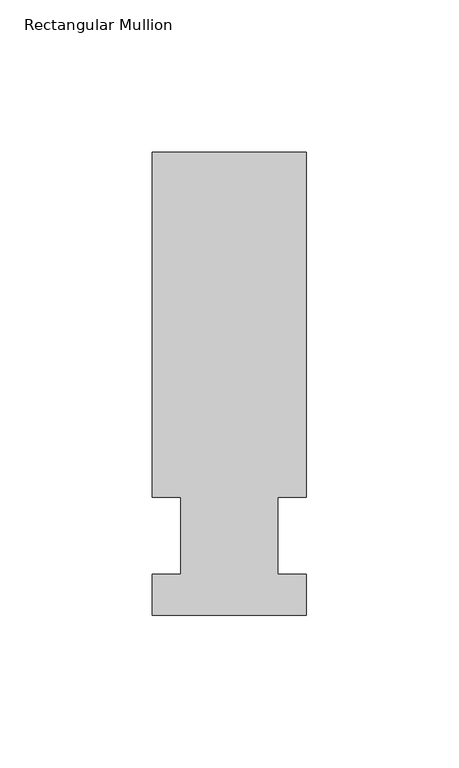
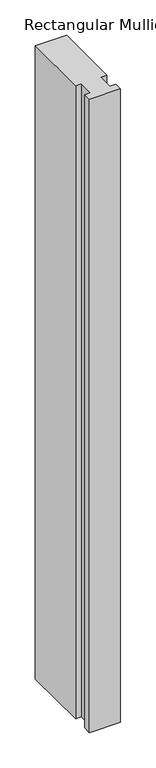
"""IFC4 building model written with IfcOpenShell, lengths in millimetres: member geometry, Rectangular Mullion."""

from ifc_helpers import new_model, si_unit, frame, origin, place, context, project, spatial, polyline, outline, extrude, source, transform, mapped, element, save


def rectangular_mullion_8aa326fe(model_context):
    return source(origin(), model_context, "Body", "SweptSolid", [
        extrude(outline(polyline([(-25.4, -26.19375), (-25.4, -12.7), (-15.875, -12.7), (-15.875, 12.7), (-25.4, 12.7), (-25.4, 126.20625), (25.4, 126.20625), (25.4, 12.7), (15.875, 12.7), (15.875, -12.7), (25.4, -12.7), (25.4, -26.19375), (-25.4, -26.19375)])), frame((0.0, 0.0, -1092.2), z_axis=(0.0, 0.0, 1.0), x_axis=(1.0, 0.0, 0.0)), (0.0, 0.0, 1.0), 1092.2),
    ])


if __name__ == "__main__":
    model = new_model("IFC4")
    model_context = context("Model", 3, world=origin())
    ifc_project = project(units=[si_unit("LENGTHUNIT", "METRE", prefix="MILLI")], contexts=[model_context])
    site = spatial("IfcSite", under=ifc_project)
    building = spatial("IfcBuilding", under=site)
    placement = place(None, origin())
    rectangular_mullion_shape = rectangular_mullion_8aa326fe(model_context)
    element("IfcMember", 1, ObjectType="Rectangular Mullion", at=placement, inside=building, context=model_context, shape_type="MappedRepresentation", body=[
        mapped(rectangular_mullion_shape, transform((0.0, 0.0, 0.0), x_axis=(1.0, 0.0, 0.0), y_axis=(0.0, 1.0, 0.0), z_axis=(0.0, 0.0, 1.0))),
    ])
    save(model, "model.ifc")
